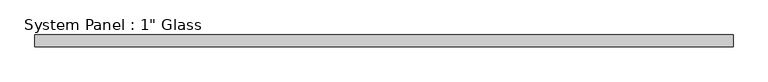
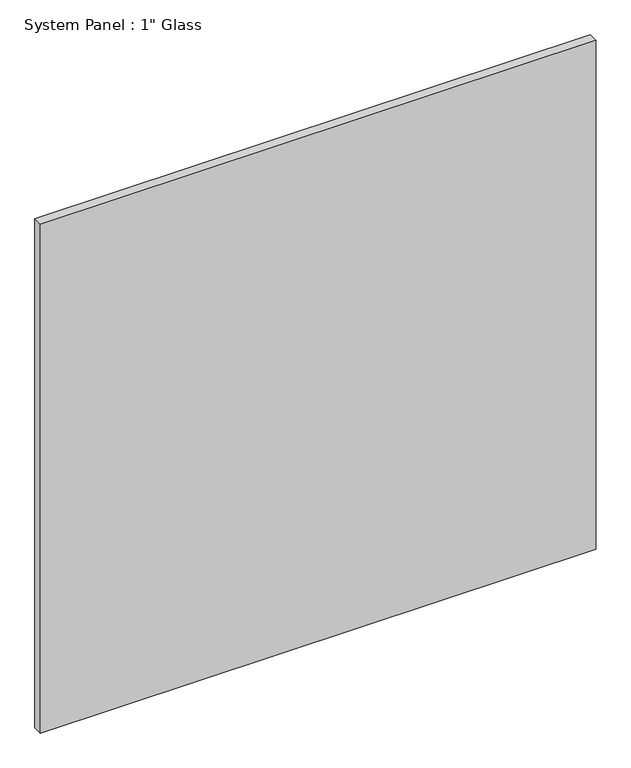
"""IFC4 building model written with IfcOpenShell, lengths in millimetres: plate geometry."""

from ifc_helpers import new_model, si_unit, origin, origin_with_axes, place, context, project, spatial, polyline, outline, extrude, source, transform, mapped, element, save


def plate_8de00f4c(model_context):
    return source(origin(), model_context, "Body", "SweptSolid", [
        extrude(outline(polyline([(735.5930865, -12.7), (-735.5930865, -12.7), (-735.5930865, 12.7), (735.5930865, 12.7), (735.5930865, -12.7)])), origin_with_axes(), (0.0, 0.0, 1.0), 1424.9417704),
    ])


if __name__ == "__main__":
    model = new_model("IFC4")
    model_context = context("Model", 3, world=origin())
    ifc_project = project(units=[si_unit("LENGTHUNIT", "METRE", prefix="MILLI")], contexts=[model_context])
    site = spatial("IfcSite", under=ifc_project)
    building = spatial("IfcBuilding", under=site)
    placement = place(None, origin())
    plate_shape = plate_8de00f4c(model_context)
    element("IfcPlate", 1, ObjectType="System Panel : 1\" Glass", at=placement, inside=building, context=model_context, shape_type="MappedRepresentation", body=[
        mapped(plate_shape, transform((0.0, 0.0, 0.0), x_axis=(1.0, 0.0, 0.0), y_axis=(0.0, 1.0, 0.0), z_axis=(0.0, 0.0, 1.0))),
    ])
    save(model, "model.ifc")
